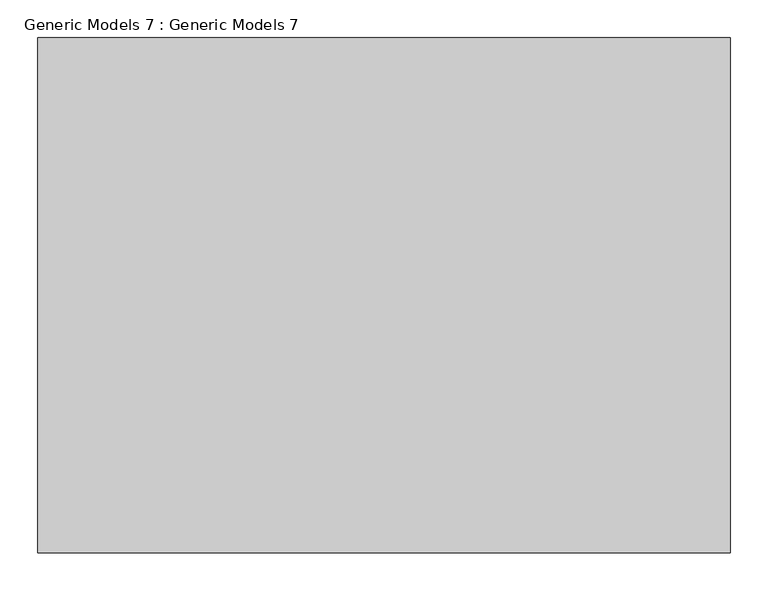
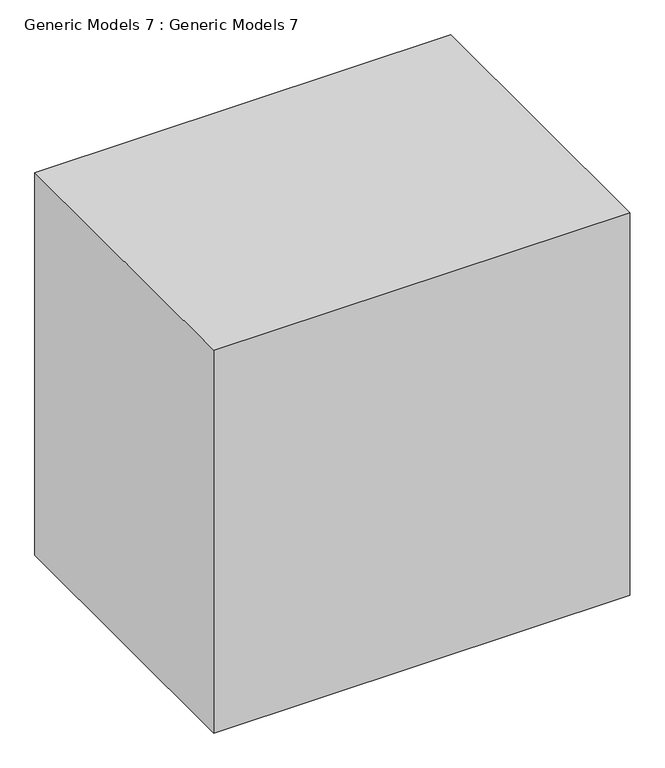
"""IFC4 building model written with IfcOpenShell, lengths in millimetres: proxy geometry, Generic Models 7 : Generic Models 7."""

from ifc_helpers import new_model, si_unit, origin, origin_with_axes, place, context, project, spatial, polyline, outline, extrude, source, transform, mapped, element, save


def generic_models_7_generic_models_7_7f0fde1d(model_context):
    return source(origin(), model_context, "Body", "SweptSolid", [
        extrude(outline(polyline([(-890.1800858, -2797.6886676), (-890.1800858, -3476.3861077), (-1801.6845496, -3476.3861077), (-1801.6845496, -2797.6886676), (-890.1800858, -2797.6886676)])), origin_with_axes(), (0.0, 0.0, 1.0), 887.0372279),
    ])


if __name__ == "__main__":
    model = new_model("IFC4")
    model_context = context("Model", 3, world=origin())
    ifc_project = project(units=[si_unit("LENGTHUNIT", "METRE", prefix="MILLI")], contexts=[model_context])
    site = spatial("IfcSite", under=ifc_project)
    building = spatial("IfcBuilding", under=site)
    placement = place(None, origin())
    generic_models_7_generic_models_7_shape = generic_models_7_generic_models_7_7f0fde1d(model_context)
    element("IfcBuildingElementProxy", 1, Name="Generic Models 7 : Generic Models 7", ObjectType="Generic Models 7 : Generic Models 7", at=placement, inside=building, context=model_context, shape_type="MappedRepresentation", body=[
        mapped(generic_models_7_generic_models_7_shape, transform((0.0, 0.0, 0.0), x_axis=(1.0, 0.0, 0.0), y_axis=(0.0, 1.0, 0.0), z_axis=(0.0, 0.0, 1.0))),
    ])
    save(model, "model.ifc")
